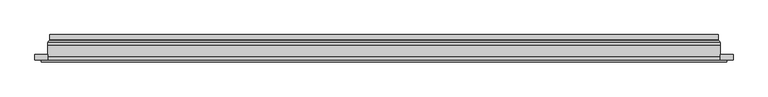
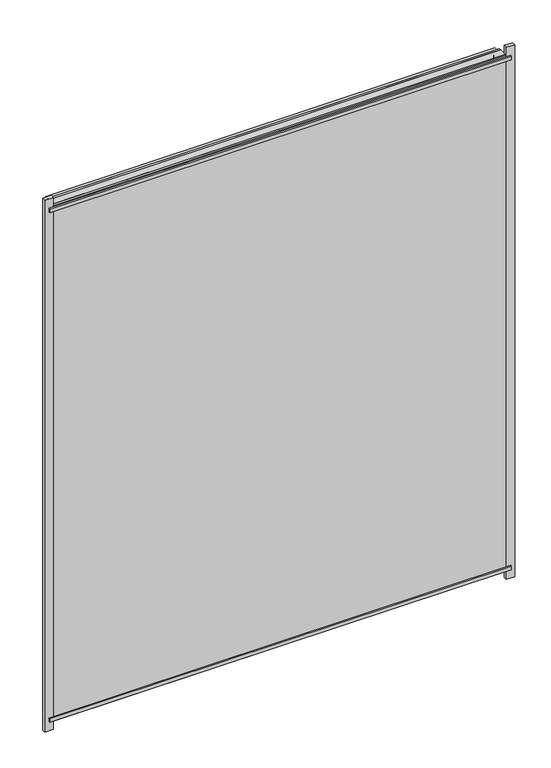
"""IFC4 building model written with IfcOpenShell, lengths in millimetres: plate geometry."""

import ifcopenshell
import ifcopenshell.guid

model = None  # the IFC model being written
_history = None  # IfcOwnerHistory: only IFC2X3 demands one
_inside = {}  # id of a spatial element -> (the spatial element, [elements in it])
_under = {}  # id of a project, library or spatial element -> (it, [spatial elements below it])
_declared = {}  # id of a project -> (the project, [libraries it declares])
_typed = {}  # id of a type object -> (the type object, [elements of that type])
_made_of = {}  # id of a material, layer set ... -> (it, [elements and type objects made of it])


def new_model(schema):
    """Start an empty IFC model of exactly this schema.

    Asked for "IFC4X3", IfcOpenShell would pick the latest addendum, in which some entities
    have other attributes; the version numbers below select the first issue.
    IFC2X3 requires an IfcOwnerHistory on every rooted entity: one is made here for all.
    """
    global model, _history
    if schema == "IFC4X3":
        model = ifcopenshell.file(schema_version=(4, 3, 0, 0))
    else:
        model = ifcopenshell.file(schema=schema)
    _inside.clear()
    _under.clear()
    _declared.clear()
    _typed.clear()
    _made_of.clear()
    _history = None
    if model.schema == "IFC2X3":
        org = make("IfcOrganization", Name="unknown")
        user = make(
            "IfcPersonAndOrganization",
            ThePerson=make("IfcPerson", FamilyName="unknown"),
            TheOrganization=org,
        )
        app = make(
            "IfcApplication",
            ApplicationDeveloper=org,
            Version="unknown",
            ApplicationFullName="unknown",
            ApplicationIdentifier="unknown",
        )
        _history = make(
            "IfcOwnerHistory",
            OwningUser=user,
            OwningApplication=app,
            ChangeAction="ADDED",
            CreationDate=0,
        )
    return model


def make(cls, **values):
    """One entity of the class cls with the attributes given. An attribute that is None is left unset."""
    return model.create_entity(
        cls, **{name: value for name, value in values.items() if value is not None}
    )


def rooted(cls, **values):
    """An entity with a GlobalId (a new one), such as an element, a storey or a relation."""
    return make(cls, GlobalId=ifcopenshell.guid.new(), OwnerHistory=_history, **values)


def si_unit(unit_type, name, prefix=None):
    """IfcSIUnit, for example si_unit("LENGTHUNIT", "METRE", prefix="MILLI")."""
    return make("IfcSIUnit", UnitType=unit_type, Prefix=prefix, Name=name)


def assignment(units):
    """IfcUnitAssignment: the units of a project."""
    return None if units is None else make("IfcUnitAssignment", Units=units)


def point(xyz):
    """IfcCartesianPoint."""
    return None if xyz is None else make("IfcCartesianPoint", Coordinates=xyz)


def direction(xyz):
    """IfcDirection."""
    return None if xyz is None else make("IfcDirection", DirectionRatios=xyz)


def frame(location, z_axis=None, x_axis=None):
    """IfcAxis2Placement3D, a coordinate frame: its origin and axes. An axis left out is left unset."""
    return make(
        "IfcAxis2Placement3D",
        Location=point(location),
        Axis=direction(z_axis),
        RefDirection=direction(x_axis),
    )


def origin():
    """The frame at (0, 0, 0) with its axes left unset."""
    return frame((0.0, 0.0, 0.0))


def place(relative_to, where):
    """IfcLocalPlacement: puts the frame where relative to a parent placement (None: the world)."""
    return make(
        "IfcLocalPlacement", PlacementRelTo=relative_to, RelativePlacement=where
    )


def context(
    kind, dimensions, precision=None, world=None, true_north=None, identifier=None
):
    """IfcGeometricRepresentationContext, for example the 3D "Model" context."""
    return make(
        "IfcGeometricRepresentationContext",
        ContextIdentifier=identifier,
        ContextType=kind,
        CoordinateSpaceDimension=dimensions,
        Precision=precision,
        WorldCoordinateSystem=world,
        TrueNorth=true_north,
    )


def project(units=None, contexts=None):
    """IfcProject with its units and contexts."""
    return rooted(
        "IfcProject",
        Name="project",
        RepresentationContexts=contexts,
        UnitsInContext=assignment(units),
    )


def spatial(cls, under=None, at=None, **own):
    """A site, building, storey or space (cls), placed at a placement, below another one or the project."""
    s = rooted(cls, ObjectPlacement=at, **own)
    if under is not None:
        _under.setdefault(under.id(), (under, []))[1].append(s)
    return s


def polyline(points):
    """IfcPolyline through the points."""
    return make("IfcPolyline", Points=[point(p) for p in points])


def ellipse_curve(where, semi_axis1, semi_axis2):
    """IfcEllipse in the frame where."""
    return make(
        "IfcEllipse", Position=where, SemiAxis1=semi_axis1, SemiAxis2=semi_axis2
    )


def outline(outer, holes=None, kind="AREA"):
    """IfcArbitraryClosedProfileDef: a profile drawn as a closed curve; with holes, ...WithVoids."""
    if holes is None:
        return make("IfcArbitraryClosedProfileDef", ProfileType=kind, OuterCurve=outer)
    return make(
        "IfcArbitraryProfileDefWithVoids",
        ProfileType=kind,
        OuterCurve=outer,
        InnerCurves=holes,
    )


def extrude(swept, where, along, depth):
    """IfcExtrudedAreaSolid: the profile swept, set in the frame where, extruded along a direction by depth."""
    return make(
        "IfcExtrudedAreaSolid",
        SweptArea=swept,
        Position=where,
        ExtrudedDirection=direction(along),
        Depth=depth,
    )


def shape(context_of_items, identifier, shape_type, items):
    """IfcShapeRepresentation: the items that make up one representation, for example the "Body"."""
    return make(
        "IfcShapeRepresentation",
        ContextOfItems=context_of_items,
        RepresentationIdentifier=identifier,
        RepresentationType=shape_type,
        Items=items,
    )


def source(mapping_origin, context_of_items, identifier, shape_type, items):
    """IfcRepresentationMap: a shape defined once, which mapped items show again and again."""
    return make(
        "IfcRepresentationMap",
        MappingOrigin=mapping_origin,
        MappedRepresentation=shape(context_of_items, identifier, shape_type, items),
    )


def transform(
    local_origin,
    x_axis=None,
    y_axis=None,
    z_axis=None,
    scale=None,
    scale2=None,
    scale3=None,
    uniform=True,
):
    """IfcCartesianTransformationOperator3D, or its non-uniform kind. x_axis, y_axis, z_axis: its Axis1, 2, 3."""
    if uniform:
        return make(
            "IfcCartesianTransformationOperator3D",
            Axis1=direction(x_axis),
            Axis2=direction(y_axis),
            LocalOrigin=point(local_origin),
            Scale=scale,
            Axis3=direction(z_axis),
        )
    return make(
        "IfcCartesianTransformationOperator3DnonUniform",
        Axis1=direction(x_axis),
        Axis2=direction(y_axis),
        LocalOrigin=point(local_origin),
        Scale=scale,
        Axis3=direction(z_axis),
        Scale2=scale2,
        Scale3=scale3,
    )


def mapped(mapping_source, mapping_target):
    """IfcMappedItem: shows the shape of a source again, moved by a transform."""
    return make(
        "IfcMappedItem", MappingSource=mapping_source, MappingTarget=mapping_target
    )


def made_of(thing, what):
    """Note that an element or type object is made of a material, layer set ...; save() writes the relation."""
    if what is not None:
        _made_of.setdefault(what.id(), (what, []))[1].append(thing)
    return thing


def element(
    cls,
    number,
    at=None,
    inside=None,
    cuts=None,
    type_object=None,
    material=None,
    context=None,
    identifier="Body",
    shape_type=None,
    held_by="IfcProductDefinitionShape",
    body=None,
    shapes=None,
    **own,
):
    """One element of the class cls, such as IfcWall. Its Tag is "e" and its number.

    at: its placement. inside: the storey or other place that contains it. cuts: it is an
    opening in that element (IfcRelVoidsElement). A single representation is given by context,
    identifier, shape_type and body (its items); several are given by shapes. held_by: the class
    of the entity that holds the representations. save() writes the other relations.
    """
    e = rooted(cls, Tag="e%d" % number, ObjectPlacement=at, **own)
    if body is not None:
        shapes = [shape(context, identifier, shape_type, body)]
    if shapes is not None:
        e.Representation = make(held_by, Representations=shapes)
    if inside is not None:
        _inside.setdefault(inside.id(), (inside, []))[1].append(e)
    if cuts is not None:
        rooted(
            "IfcRelVoidsElement", RelatingBuildingElement=cuts, RelatedOpeningElement=e
        )
    if type_object is not None:
        _typed.setdefault(type_object.id(), (type_object, []))[1].append(e)
    return made_of(e, material)


def aggregate(whole, parts):
    """IfcRelAggregates: a whole, such as a stair, and the parts it consists of."""
    return rooted("IfcRelAggregates", RelatingObject=whole, RelatedObjects=parts)


def save(model, path):
    """Write the relations noted so far, then the file.

    IfcRelAggregates (storeys below a building ...), IfcRelContainedInSpatialStructure (elements
    in a storey), IfcRelDefinesByType, IfcRelAssociatesMaterial and IfcRelDeclares: one each for
    every whole, place, type object, material and project.
    """
    for whole, parts in _under.values():
        aggregate(whole, parts)
    for where, things in _inside.values():
        rooted(
            "IfcRelContainedInSpatialStructure",
            RelatedElements=things,
            RelatingStructure=where,
        )
    for kind, things in _typed.values():
        rooted("IfcRelDefinesByType", RelatedObjects=things, RelatingType=kind)
    for what, things in _made_of.values():
        rooted("IfcRelAssociatesMaterial", RelatedObjects=things, RelatingMaterial=what)
    for by, libraries in _declared.values():
        rooted("IfcRelDeclares", RelatingContext=by, RelatedDefinitions=libraries)
    model.write(path)


def plane_surface(at):
    """IfcPlane: the flat surface through the origin of the frame at, square to its z axis."""
    return make("IfcPlane", Position=at)


def cylinder_surface(at, radius):
    """IfcCylindricalSurface: all points at the distance radius from the z axis of the frame at."""
    return make("IfcCylindricalSurface", Position=at, Radius=radius)


def revolved_surface(curve, axis_point, axis_direction):
    """IfcSurfaceOfRevolution: the curve turned about the line through axis_point along axis_direction."""
    return make(
        "IfcSurfaceOfRevolution",
        SweptCurve=make("IfcArbitraryOpenProfileDef", ProfileType="CURVE", Curve=curve),
        AxisPosition=make("IfcAxis1Placement", Location=point(axis_point), Axis=direction(axis_direction)),
    )


def advanced_brep(points, edges, surfaces, faces):
    """IfcAdvancedBrep: a solid bounded by faces that lie on surfaces and meet in shared edges.

    An edge is (start, end): straight between two places in points (the first is 0);
    or (start, end, curve); or (start, end, curve, False) where it runs against its curve.
    A face is (place in surfaces, loops), or (place, loops, False) where it looks against
    its surface's normal. A loop lists edges by number (the first is 1), with a minus sign
    where the edge is run from its end to its start. The first loop is the outer one.
    """
    corners = [point(p) for p in points]
    vertices = [make("IfcVertexPoint", VertexGeometry=c) for c in corners]
    made = []
    for start, end, *more in edges:
        made.append(
            make(
                "IfcEdgeCurve",
                EdgeStart=vertices[start],
                EdgeEnd=vertices[end],
                EdgeGeometry=more[0] if more else make("IfcPolyline", Points=[corners[start], corners[end]]),
                SameSense=more[1] if len(more) > 1 else True,
            )
        )
    hull = []
    for where, loops, *sense in faces:
        bounds = []
        for j, loop in enumerate(loops):
            ring = [make("IfcOrientedEdge", EdgeElement=made[abs(k) - 1], Orientation=k > 0) for k in loop]
            bounds.append(
                make(
                    "IfcFaceOuterBound" if j == 0 else "IfcFaceBound",
                    Bound=make("IfcEdgeLoop", EdgeList=ring),
                    Orientation=True,
                )
            )
        hull.append(make("IfcAdvancedFace", Bounds=bounds, FaceSurface=surfaces[where], SameSense=sense[0] if sense else True))
    return make("IfcAdvancedBrep", Outer=make("IfcClosedShell", CfsFaces=hull))


def plate_d8706816(model_context):
    return source(origin(), model_context, "Body", "SolidModel", [
        extrude(outline(polyline([(625.0, -27.0), (-625.0, -27.0), (-625.0, -23.0), (625.0, -23.0), (625.0, -27.0)])), frame((0.0, 0.0, 1469.5000001), z_axis=(0.0, 0.0, 1.0), x_axis=(1.0, 0.0, 0.0)), (0.0, 0.0, 1.0), 10.0),
        extrude(outline(polyline([(625.0, -27.0), (-625.0, -27.0), (-625.0, -23.0), (625.0, -23.0), (625.0, -27.0)])), frame((0.0, 0.0, 9.5), z_axis=(0.0, 0.0, 1.0), x_axis=(1.0, 0.0, 0.0)), (0.0, 0.0, 1.0), 10.0),
        extrude(outline(polyline([(-636.5, -23.0), (-636.5, -13.51), (-613.5, -13.51), (-613.5, -23.0), (-636.5, -23.0)])), frame((0.0, 0.0, -17.0), z_axis=(0.0, 0.0, 1.0), x_axis=(1.0, 0.0, 0.0)), (0.0, 0.0, 1.0), 1523.0000001),
        extrude(outline(polyline([(636.5, -23.0), (613.5, -23.0), (613.5, -13.51), (636.5, -13.51), (636.5, -23.0)])), frame((0.0, 0.0, -17.0), z_axis=(0.0, 0.0, 1.0), x_axis=(1.0, 0.0, 0.0)), (0.0, 0.0, 1.0), 1523.0000001),
        extrude(outline(polyline([(6.0, -613.5), (6.0, 613.5), (1483.0000001, 613.5), (1483.0000001, -613.5), (6.0, -613.5)]), holes=[polyline([(28.0, 591.5), (28.0, -591.5), (1461.0000001, -591.5), (1461.0000001, 591.5), (28.0, 591.5)])]), frame((0.0, -17.0, 0.0), z_axis=(0.0, 1.0, 0.0), x_axis=(0.0, 0.0, 1.0)), (0.0, 0.0, 1.0), 20.0),
        extrude(outline(polyline([(28.0, -591.5), (28.0, 591.5), (1461.0000001, 591.5), (1461.0000001, -591.5), (28.0, -591.5)]), holes=[polyline([(33.0, 586.5), (33.0, -586.5), (1456.0000001, -586.5), (1456.0000001, 586.5), (33.0, 586.5)])]), frame((0.0, -17.0, 0.0), z_axis=(0.0, 1.0, 0.0), x_axis=(0.0, 0.0, 1.0)), (0.0, 0.0, 1.0), 20.0),
        extrude(outline(polyline([(613.5, 9.0), (613.5, 3.0), (-613.5, 3.0), (-613.5, 9.0), (613.5, 9.0)])), frame((0.0, 0.0, 6.0), z_axis=(0.0, 0.0, 1.0), x_axis=(1.0, 0.0, 0.0)), (0.0, 0.0, 1.0), 1477.0000001),
        extrude(outline(polyline([(-613.5, -23.0), (-613.5, -17.0), (613.5, -17.0), (613.5, -23.0), (-613.5, -23.0)])), frame((0.0, 0.0, 6.0), z_axis=(0.0, 0.0, 1.0), x_axis=(1.0, 0.0, 0.0)), (0.0, 0.0, 1.0), 1477.0000001),
        advanced_brep(
        [(-609.0, 23.0, 10.5), (609.0, 23.0, 10.5), (609.0, 13.9230471, 10.5), (-609.0, 13.9230471, 10.5), (-600.0, 12.9110883, 19.5), (600.0, 12.9110883, 19.5), (600.0, 23.0, 19.5), (-600.0, 23.0, 19.5), (609.0, 23.0, 1478.5000001), (609.0, 13.9230471, 1478.5000001), (600.0, 12.9110883, 1469.5000001), (600.0, 23.0, 1469.5000001), (-609.0, 23.0, 1478.5000001), (-609.0, 13.9230471, 1478.5000001), (-600.0, 12.9110883, 1469.5000001), (-600.0, 23.0, 1469.5000001), (-610.2540757, 9.0, 9.2459243), (610.2540757, 9.0, 9.2459243), (610.2540757, 9.0, 1479.7540758), (-610.2540757, 9.0, 1479.7540758), (599.7, 9.0, 19.8), (-599.7, 9.0, 19.8), (-599.7, 9.0, 1469.2000001), (599.7, 9.0, 1469.2000001), (-599.0625, 11.2166581, 20.4375), (599.0625, 11.2166581, 20.4375), (-610.5737575, 11.9689955, 8.9262425), (610.5737575, 11.9689955, 8.9262425), (599.0625, 11.2166581, 1468.5625001), (610.5737575, 11.9689955, 1480.0737577), (-599.0625, 11.2166581, 1468.5625001), (-610.5737575, 11.9689955, 1480.0737577)],
        [
            (0, 1),
            (1, 2),
            (2, 3),
            (3, 0),
            (4, 5),
            (5, 6),
            (6, 7),
            (7, 4),
            (1, 8),
            (8, 9),
            (9, 2),
            (5, 10),
            (10, 11),
            (11, 6),
            (8, 12),
            (12, 13),
            (13, 9),
            (10, 14),
            (14, 15),
            (15, 11),
            (16, 17),
            (17, 18),
            (18, 19),
            (19, 16),
            (20, 21),
            (21, 22),
            (22, 23),
            (23, 20),
            (12, 0),
            (3, 13),
            (15, 7),
            (14, 4),
            (24, 25),
            (25, 5, ellipse_curve(frame((598.0, 12.9110883, 21.5), z_axis=(0.7071067811865475, 0.0, 0.7071067811865475), x_axis=(0.7071067811865476, 0.0, -0.7071067811865474)), 2.8284271, 2.0)),
            (4, 24, ellipse_curve(frame((-598.0, 12.9110883, 21.5), z_axis=(-0.7071067811865475, 0.0, 0.7071067811865475), x_axis=(0.7071067811865476, 0.0, 0.7071067811865474)), 2.8284271, 2.0)),
            (20, 25, ellipse_curve(frame((599.7, 10.2, 19.8), z_axis=(-0.7071067811865475, 0.0, -0.7071067811865475), x_axis=(-0.7071067811865476, 0.0, 0.7071067811865474)), 1.6970563, 1.2)),
            (24, 21, ellipse_curve(frame((-599.7, 10.2, 19.8), z_axis=(0.7071067811865475, 0.0, -0.7071067811865475), x_axis=(-0.7071067811865476, 0.0, -0.7071067811865474)), 1.6970563, 1.2)),
            (26, 27),
            (27, 17, ellipse_curve(frame((610.2540757, 10.5034569, 9.2459243), z_axis=(-0.7071067811865475, 0.0, -0.7071067811865475), x_axis=(-0.7071067811865476, 0.0, 0.7071067811865474)), 2.1213203, 1.5)),
            (16, 26, ellipse_curve(frame((-610.2540757, 10.5034569, 9.2459243), z_axis=(0.7071067811865475, 0.0, -0.7071067811865475), x_axis=(-0.7071067811865476, 0.0, -0.7071067811865474)), 2.1213203, 1.5)),
            (25, 28),
            (28, 10, ellipse_curve(frame((598.0, 12.9110883, 1467.5000001), z_axis=(-0.7071067811865475, 0.0, 0.7071067811865475), x_axis=(0.7071067811865474, 0.0, 0.7071067811865476)), 2.8284271, 2.0)),
            (23, 28, ellipse_curve(frame((599.7, 10.2, 1469.2000001), z_axis=(0.7071067811865475, 0.0, -0.7071067811865475), x_axis=(-0.7071067811865474, 0.0, -0.7071067811865476)), 1.6970563, 1.2)),
            (27, 29),
            (29, 18, ellipse_curve(frame((610.2540757, 10.5034569, 1479.7540758), z_axis=(0.7071067811865475, 0.0, -0.7071067811865475), x_axis=(-0.7071067811865474, 0.0, -0.7071067811865476)), 2.1213203, 1.5)),
            (28, 30),
            (30, 14, ellipse_curve(frame((-598.0, 12.9110883, 1467.5000001), z_axis=(-0.7071067811865475, 0.0, -0.7071067811865475), x_axis=(-0.7071067811865476, 0.0, 0.7071067811865474)), 2.8284271, 2.0)),
            (22, 30, ellipse_curve(frame((-599.7, 10.2, 1469.2000001), z_axis=(0.7071067811865475, 0.0, 0.7071067811865475), x_axis=(0.7071067811865476, 0.0, -0.7071067811865474)), 1.6970563, 1.2)),
            (29, 31),
            (31, 19, ellipse_curve(frame((-610.2540757, 10.5034569, 1479.7540758), z_axis=(0.7071067811865475, 0.0, 0.7071067811865475), x_axis=(0.7071067811865476, 0.0, -0.7071067811865474)), 2.1213203, 1.5)),
            (30, 24),
            (31, 26),
            (2, 27, ellipse_curve(frame((611.0, 13.9230471, 8.5), z_axis=(0.7071067811865475, 0.0, 0.7071067811865475), x_axis=(0.7071067811865476, 0.0, -0.7071067811865474)), 2.8284271, 2.0)),
            (26, 3, ellipse_curve(frame((-611.0, 13.9230471, 8.5), z_axis=(-0.7071067811865475, 0.0, 0.7071067811865475), x_axis=(0.7071067811865476, 0.0, 0.7071067811865474)), 2.8284271, 2.0)),
            (9, 29, ellipse_curve(frame((611.0, 13.9230471, 1480.5000001), z_axis=(-0.7071067811865475, 0.0, 0.7071067811865475), x_axis=(0.7071067811865474, 0.0, 0.7071067811865476)), 2.8284271, 2.0)),
            (13, 31, ellipse_curve(frame((-611.0, 13.9230471, 1480.5000001), z_axis=(-0.7071067811865475, 0.0, -0.7071067811865475), x_axis=(-0.7071067811865476, 0.0, 0.7071067811865474)), 2.8284271, 2.0)),
        ],
        [
            plane_surface(frame((-609.0, 13.9230471, 10.5), z_axis=(0.0, 0.0, -1.0), x_axis=(1.0, 0.0, 0.0))),
            plane_surface(frame((-600.0, 23.0, 19.5), z_axis=(0.0, 0.0, 1.0), x_axis=(1.0, 0.0, 0.0))),
            plane_surface(frame((609.0, 13.9230471, 10.5), z_axis=(1.0, 0.0, 0.0), x_axis=(0.0, 0.0, 1.0))),
            plane_surface(frame((600.0, 23.0, 19.5), z_axis=(-1.0, 0.0, 0.0), x_axis=(0.0, 0.0, 1.0))),
            plane_surface(frame((609.0, 13.9230471, 1478.5000001), z_axis=(0.0, 0.0, 1.0), x_axis=(-1.0, 0.0, 0.0))),
            plane_surface(frame((600.0, 23.0, 1469.5000001), z_axis=(0.0, 0.0, -1.0), x_axis=(-1.0, 0.0, 0.0))),
            plane_surface(frame((-599.7, 9.0, 1469.2000001), z_axis=(0.0, -1.0, 0.0), x_axis=(0.0, 0.0, -1.0))),
            plane_surface(frame((-609.0, 13.9230471, 1478.5000001), z_axis=(-1.0, 0.0, 0.0), x_axis=(0.0, 0.0, -1.0))),
            plane_surface(frame((-609.0, 23.0, 1478.5000001), z_axis=(0.0, 1.0, 0.0), x_axis=(0.0, 0.0, -1.0))),
            plane_surface(frame((-600.0, 23.0, 1469.5000001), z_axis=(1.0, 0.0, 0.0), x_axis=(0.0, 0.0, -1.0))),
            revolved_surface(polyline([(600.0, 10.9110883, 21.5), (-600.0, 10.9110883, 21.5)]), (-613.5, 12.9110883, 21.5), (1.0, 0.0, 0.0)),
            cylinder_surface(frame((-613.5, 10.2, 19.8), z_axis=(-1.0, 0.0, 0.0), x_axis=(0.0, -1.0, 0.0)), 1.2),
            cylinder_surface(frame((-613.5, 10.5034569, 9.2459243), z_axis=(-1.0, 0.0, 0.0), x_axis=(0.0, -1.0, 0.0)), 1.5),
            revolved_surface(polyline([(598.0, 10.9110883, 1469.5000001), (598.0, 10.9110883, 19.5)]), (598.0, 12.9110883, 6.0), (0.0, 0.0, 1.0)),
            cylinder_surface(frame((599.7, 10.2, 6.0), z_axis=(0.0, 0.0, -1.0), x_axis=(0.0, -1.0, 0.0)), 1.2),
            cylinder_surface(frame((610.2540757, 10.5034569, 6.0), z_axis=(0.0, 0.0, -1.0), x_axis=(0.0, -1.0, 0.0)), 1.5),
            revolved_surface(polyline([(-600.0, 10.9110883, 1467.5000001), (600.0, 10.9110883, 1467.5000001)]), (613.5, 12.9110883, 1467.5000001), (-1.0, 0.0, 0.0)),
            cylinder_surface(frame((613.5, 10.2, 1469.2000001), z_axis=(1.0, 0.0, 0.0), x_axis=(0.0, -1.0, 0.0)), 1.2),
            cylinder_surface(frame((613.5, 10.5034569, 1479.7540758), z_axis=(1.0, 0.0, 0.0), x_axis=(0.0, -1.0, 0.0)), 1.5),
            revolved_surface(polyline([(-598.0, 10.9110883, 19.5), (-598.0, 10.9110883, 1469.5000001)]), (-598.0, 12.9110883, 1483.0000001), (0.0, 0.0, -1.0)),
            cylinder_surface(frame((-599.7, 10.2, 1483.0000001), z_axis=(0.0, 0.0, 1.0), x_axis=(0.0, -1.0, 0.0)), 1.2),
            cylinder_surface(frame((-610.2540757, 10.5034569, 1483.0000001), z_axis=(0.0, 0.0, 1.0), x_axis=(0.0, -1.0, 0.0)), 1.5),
            revolved_surface(polyline([(612.9999999825018, 11.9230471, 8.5), (-612.9999999825018, 11.9230471, 8.5)]), (-613.5, 13.9230471, 8.5), (1.0, 0.0, 0.0)),
            revolved_surface(polyline([(611.0, 11.9230471, 1482.5000000825019), (611.0, 11.9230471, 6.500000017498199)]), (611.0, 13.9230471, 6.0), (0.0, 0.0, 1.0)),
            revolved_surface(polyline([(-612.9999999825018, 11.9230471, 1480.5000001), (612.9999999825018, 11.9230471, 1480.5000001)]), (613.5, 13.9230471, 1480.5000001), (-1.0, 0.0, 0.0)),
            revolved_surface(polyline([(-611.0, 11.9230471, 6.500000017498223), (-611.0, 11.9230471, 1482.5000000825019)]), (-611.0, 13.9230471, 1483.0000001), (0.0, 0.0, -1.0)),
        ],
        [
            (0, [[1, 2, 3, 4]]),
            (1, [[5, 6, 7, 8]]),
            (2, [[9, 10, 11, -2]]),
            (3, [[12, 13, 14, -6]]),
            (4, [[15, 16, 17, -10]]),
            (5, [[18, 19, 20, -13]]),
            (6, [[21, 22, 23, 24], [25, 26, 27, 28]]),
            (7, [[29, -4, 30, -16]]),
            (8, [[-1, -29, -15, -9], [-7, -14, -20, 31]]),
            (9, [[32, -8, -31, -19]]),
            (10, [[33, 34, -5, 35]]),
            (11, [[-25, 36, -33, 37]]),
            (12, [[38, 39, -21, 40]]),
            (13, [[41, 42, -12, -34]]),
            (14, [[-28, 43, -41, -36]]),
            (15, [[44, 45, -22, -39]]),
            (16, [[46, 47, -18, -42]]),
            (17, [[-27, 48, -46, -43]]),
            (18, [[49, 50, -23, -45]]),
            (19, [[51, -35, -32, -47]]),
            (20, [[-26, -37, -51, -48]]),
            (21, [[52, -40, -24, -50]]),
            (22, [[-3, 53, -38, 54]]),
            (23, [[-11, 55, -44, -53]]),
            (24, [[-17, 56, -49, -55]]),
            (25, [[-30, -54, -52, -56]]),
        ],
    ),
    ])


if __name__ == "__main__":
    model = new_model("IFC4")
    model_context = context("Model", 3, world=origin())
    ifc_project = project(units=[si_unit("LENGTHUNIT", "METRE", prefix="MILLI")], contexts=[model_context])
    site = spatial("IfcSite", under=ifc_project)
    building = spatial("IfcBuilding", under=site)
    placement = place(None, origin())
    plate_shape = plate_d8706816(model_context)
    element("IfcPlate", 1, at=placement, inside=building, context=model_context, shape_type="MappedRepresentation", body=[
        mapped(plate_shape, transform((0.0, 0.0, 0.0), x_axis=(1.0, 0.0, 0.0), y_axis=(0.0, 1.0, 0.0), z_axis=(0.0, 0.0, 1.0))),
    ])
    save(model, "model.ifc")
